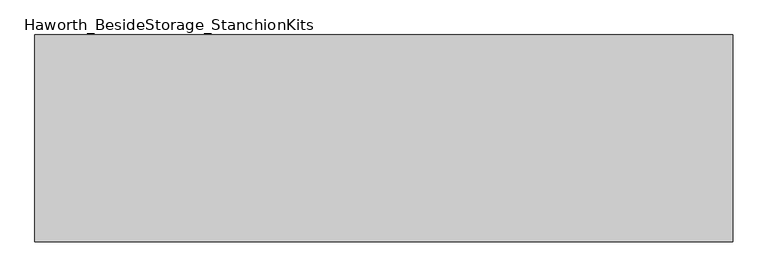
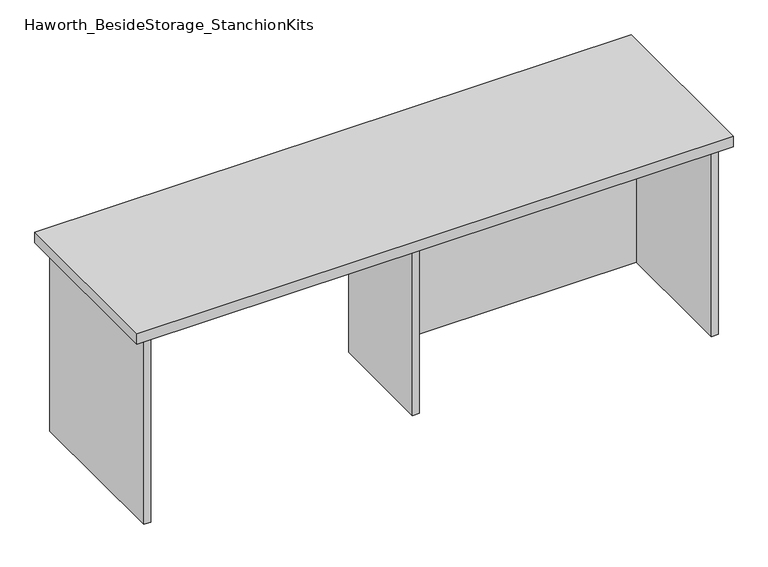
"""IFC4 building model written with IfcOpenShell, lengths in millimetres: furniture geometry, Haworth_BesideStorage_StanchionKits."""

from ifc_helpers import new_model, si_unit, frame, origin, place, context, project, spatial, polyline, outline, extrude, source, transform, mapped, element, save


def haworth_besidestorage_stanchionkits_18c227a4(model_context):
    return source(origin(), model_context, "Body", "SweptSolid", [
        extrude(outline(polyline([(847.725, 0.0), (847.725, -406.4), (-523.875, -406.4), (-523.875, 0.0), (847.725, 0.0)])), frame((0.0, 0.0, 889.0), z_axis=(0.0, 0.0, 1.0), x_axis=(1.0, 0.0, 0.0)), (0.0, 0.0, 1.0), 25.4),
        extrude(outline(polyline([(169.8625, -76.2), (806.45, -76.2), (806.45, -92.075), (169.8625, -92.075), (169.8625, -76.2)])), frame((0.0, 0.0, 431.8), z_axis=(0.0, 0.0, 1.0), x_axis=(1.0, 0.0, 0.0)), (0.0, 0.0, 1.0), 457.2),
        extrude(outline(polyline([(169.8625, -330.2), (153.9875, -330.2), (153.9875, -76.2), (169.8625, -76.2), (169.8625, -330.2)])), frame((0.0, 0.0, 431.8), z_axis=(0.0, 0.0, 1.0), x_axis=(1.0, 0.0, 0.0)), (0.0, 0.0, 1.0), 457.2),
        extrude(outline(polyline([(822.325, -390.525), (806.45, -390.525), (806.45, -15.875), (822.325, -15.875), (822.325, -390.525)])), frame((0.0, 0.0, 431.8), z_axis=(0.0, 0.0, 1.0), x_axis=(1.0, 0.0, 0.0)), (0.0, 0.0, 1.0), 457.2),
        extrude(outline(polyline([(-482.6, -390.525), (-498.475, -390.525), (-498.475, -15.875), (-482.6, -15.875), (-482.6, -390.525)])), frame((0.0, 0.0, 431.8), z_axis=(0.0, 0.0, 1.0), x_axis=(1.0, 0.0, 0.0)), (0.0, 0.0, 1.0), 457.2),
    ])


if __name__ == "__main__":
    model = new_model("IFC4")
    model_context = context("Model", 3, world=origin())
    ifc_project = project(units=[si_unit("LENGTHUNIT", "METRE", prefix="MILLI")], contexts=[model_context])
    site = spatial("IfcSite", under=ifc_project)
    building = spatial("IfcBuilding", under=site)
    placement = place(None, origin())
    haworth_besidestorage_stanchionkits_shape = haworth_besidestorage_stanchionkits_18c227a4(model_context)
    element("IfcFurniture", 1, ObjectType="Haworth_BesideStorage_StanchionKits", at=placement, inside=building, context=model_context, shape_type="MappedRepresentation", body=[
        mapped(haworth_besidestorage_stanchionkits_shape, transform((0.0, 0.0, 0.0), x_axis=(1.0, 0.0, 0.0), y_axis=(0.0, 1.0, 0.0), z_axis=(0.0, 0.0, 1.0))),
    ])
    save(model, "model.ifc")
